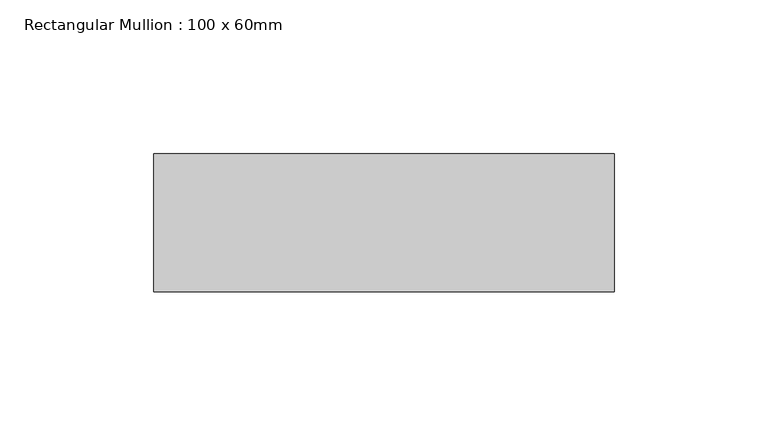
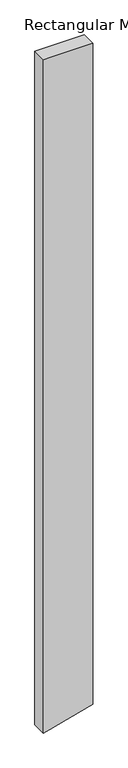
"""IFC4 building model written with IfcOpenShell, lengths in millimetres: member geometry, Rectangular Mullion : 100 x 60mm."""

import ifcopenshell
import ifcopenshell.guid

model = None  # the IFC model being written
_history = None  # IfcOwnerHistory: only IFC2X3 demands one
_inside = {}  # id of a spatial element -> (the spatial element, [elements in it])
_under = {}  # id of a project, library or spatial element -> (it, [spatial elements below it])
_declared = {}  # id of a project -> (the project, [libraries it declares])
_typed = {}  # id of a type object -> (the type object, [elements of that type])
_made_of = {}  # id of a material, layer set ... -> (it, [elements and type objects made of it])


def new_model(schema):
    """Start an empty IFC model of exactly this schema.

    Asked for "IFC4X3", IfcOpenShell would pick the latest addendum, in which some entities
    have other attributes; the version numbers below select the first issue.
    IFC2X3 requires an IfcOwnerHistory on every rooted entity: one is made here for all.
    """
    global model, _history
    if schema == "IFC4X3":
        model = ifcopenshell.file(schema_version=(4, 3, 0, 0))
    else:
        model = ifcopenshell.file(schema=schema)
    _inside.clear()
    _under.clear()
    _declared.clear()
    _typed.clear()
    _made_of.clear()
    _history = None
    if model.schema == "IFC2X3":
        org = make("IfcOrganization", Name="unknown")
        user = make(
            "IfcPersonAndOrganization",
            ThePerson=make("IfcPerson", FamilyName="unknown"),
            TheOrganization=org,
        )
        app = make(
            "IfcApplication",
            ApplicationDeveloper=org,
            Version="unknown",
            ApplicationFullName="unknown",
            ApplicationIdentifier="unknown",
        )
        _history = make(
            "IfcOwnerHistory",
            OwningUser=user,
            OwningApplication=app,
            ChangeAction="ADDED",
            CreationDate=0,
        )
    return model


def make(cls, **values):
    """One entity of the class cls with the attributes given. An attribute that is None is left unset."""
    return model.create_entity(
        cls, **{name: value for name, value in values.items() if value is not None}
    )


def rooted(cls, **values):
    """An entity with a GlobalId (a new one), such as an element, a storey or a relation."""
    return make(cls, GlobalId=ifcopenshell.guid.new(), OwnerHistory=_history, **values)


def si_unit(unit_type, name, prefix=None):
    """IfcSIUnit, for example si_unit("LENGTHUNIT", "METRE", prefix="MILLI")."""
    return make("IfcSIUnit", UnitType=unit_type, Prefix=prefix, Name=name)


def assignment(units):
    """IfcUnitAssignment: the units of a project."""
    return None if units is None else make("IfcUnitAssignment", Units=units)


def point(xyz):
    """IfcCartesianPoint."""
    return None if xyz is None else make("IfcCartesianPoint", Coordinates=xyz)


def direction(xyz):
    """IfcDirection."""
    return None if xyz is None else make("IfcDirection", DirectionRatios=xyz)


def frame(location, z_axis=None, x_axis=None):
    """IfcAxis2Placement3D, a coordinate frame: its origin and axes. An axis left out is left unset."""
    return make(
        "IfcAxis2Placement3D",
        Location=point(location),
        Axis=direction(z_axis),
        RefDirection=direction(x_axis),
    )


def origin():
    """The frame at (0, 0, 0) with its axes left unset."""
    return frame((0.0, 0.0, 0.0))


def place(relative_to, where):
    """IfcLocalPlacement: puts the frame where relative to a parent placement (None: the world)."""
    return make(
        "IfcLocalPlacement", PlacementRelTo=relative_to, RelativePlacement=where
    )


def context(
    kind, dimensions, precision=None, world=None, true_north=None, identifier=None
):
    """IfcGeometricRepresentationContext, for example the 3D "Model" context."""
    return make(
        "IfcGeometricRepresentationContext",
        ContextIdentifier=identifier,
        ContextType=kind,
        CoordinateSpaceDimension=dimensions,
        Precision=precision,
        WorldCoordinateSystem=world,
        TrueNorth=true_north,
    )


def project(units=None, contexts=None):
    """IfcProject with its units and contexts."""
    return rooted(
        "IfcProject",
        Name="project",
        RepresentationContexts=contexts,
        UnitsInContext=assignment(units),
    )


def spatial(cls, under=None, at=None, **own):
    """A site, building, storey or space (cls), placed at a placement, below another one or the project."""
    s = rooted(cls, ObjectPlacement=at, **own)
    if under is not None:
        _under.setdefault(under.id(), (under, []))[1].append(s)
    return s


def polyline(points):
    """IfcPolyline through the points."""
    return make("IfcPolyline", Points=[point(p) for p in points])


def outline(outer, holes=None, kind="AREA"):
    """IfcArbitraryClosedProfileDef: a profile drawn as a closed curve; with holes, ...WithVoids."""
    if holes is None:
        return make("IfcArbitraryClosedProfileDef", ProfileType=kind, OuterCurve=outer)
    return make(
        "IfcArbitraryProfileDefWithVoids",
        ProfileType=kind,
        OuterCurve=outer,
        InnerCurves=holes,
    )


def extrude(swept, where, along, depth):
    """IfcExtrudedAreaSolid: the profile swept, set in the frame where, extruded along a direction by depth."""
    return make(
        "IfcExtrudedAreaSolid",
        SweptArea=swept,
        Position=where,
        ExtrudedDirection=direction(along),
        Depth=depth,
    )


def shape(context_of_items, identifier, shape_type, items):
    """IfcShapeRepresentation: the items that make up one representation, for example the "Body"."""
    return make(
        "IfcShapeRepresentation",
        ContextOfItems=context_of_items,
        RepresentationIdentifier=identifier,
        RepresentationType=shape_type,
        Items=items,
    )


def source(mapping_origin, context_of_items, identifier, shape_type, items):
    """IfcRepresentationMap: a shape defined once, which mapped items show again and again."""
    return make(
        "IfcRepresentationMap",
        MappingOrigin=mapping_origin,
        MappedRepresentation=shape(context_of_items, identifier, shape_type, items),
    )


def transform(
    local_origin,
    x_axis=None,
    y_axis=None,
    z_axis=None,
    scale=None,
    scale2=None,
    scale3=None,
    uniform=True,
):
    """IfcCartesianTransformationOperator3D, or its non-uniform kind. x_axis, y_axis, z_axis: its Axis1, 2, 3."""
    if uniform:
        return make(
            "IfcCartesianTransformationOperator3D",
            Axis1=direction(x_axis),
            Axis2=direction(y_axis),
            LocalOrigin=point(local_origin),
            Scale=scale,
            Axis3=direction(z_axis),
        )
    return make(
        "IfcCartesianTransformationOperator3DnonUniform",
        Axis1=direction(x_axis),
        Axis2=direction(y_axis),
        LocalOrigin=point(local_origin),
        Scale=scale,
        Axis3=direction(z_axis),
        Scale2=scale2,
        Scale3=scale3,
    )


def mapped(mapping_source, mapping_target):
    """IfcMappedItem: shows the shape of a source again, moved by a transform."""
    return make(
        "IfcMappedItem", MappingSource=mapping_source, MappingTarget=mapping_target
    )


def made_of(thing, what):
    """Note that an element or type object is made of a material, layer set ...; save() writes the relation."""
    if what is not None:
        _made_of.setdefault(what.id(), (what, []))[1].append(thing)
    return thing


def element(
    cls,
    number,
    at=None,
    inside=None,
    cuts=None,
    type_object=None,
    material=None,
    context=None,
    identifier="Body",
    shape_type=None,
    held_by="IfcProductDefinitionShape",
    body=None,
    shapes=None,
    **own,
):
    """One element of the class cls, such as IfcWall. Its Tag is "e" and its number.

    at: its placement. inside: the storey or other place that contains it. cuts: it is an
    opening in that element (IfcRelVoidsElement). A single representation is given by context,
    identifier, shape_type and body (its items); several are given by shapes. held_by: the class
    of the entity that holds the representations. save() writes the other relations.
    """
    e = rooted(cls, Tag="e%d" % number, ObjectPlacement=at, **own)
    if body is not None:
        shapes = [shape(context, identifier, shape_type, body)]
    if shapes is not None:
        e.Representation = make(held_by, Representations=shapes)
    if inside is not None:
        _inside.setdefault(inside.id(), (inside, []))[1].append(e)
    if cuts is not None:
        rooted(
            "IfcRelVoidsElement", RelatingBuildingElement=cuts, RelatedOpeningElement=e
        )
    if type_object is not None:
        _typed.setdefault(type_object.id(), (type_object, []))[1].append(e)
    return made_of(e, material)


def aggregate(whole, parts):
    """IfcRelAggregates: a whole, such as a stair, and the parts it consists of."""
    return rooted("IfcRelAggregates", RelatingObject=whole, RelatedObjects=parts)


def save(model, path):
    """Write the relations noted so far, then the file.

    IfcRelAggregates (storeys below a building ...), IfcRelContainedInSpatialStructure (elements
    in a storey), IfcRelDefinesByType, IfcRelAssociatesMaterial and IfcRelDeclares: one each for
    every whole, place, type object, material and project.
    """
    for whole, parts in _under.values():
        aggregate(whole, parts)
    for where, things in _inside.values():
        rooted(
            "IfcRelContainedInSpatialStructure",
            RelatedElements=things,
            RelatingStructure=where,
        )
    for kind, things in _typed.values():
        rooted("IfcRelDefinesByType", RelatedObjects=things, RelatingType=kind)
    for what, things in _made_of.values():
        rooted("IfcRelAssociatesMaterial", RelatedObjects=things, RelatingMaterial=what)
    for by, libraries in _declared.values():
        rooted("IfcRelDeclares", RelatingContext=by, RelatedDefinitions=libraries)
    model.write(path)


def rectangular_mullion_100_x_60mm_3f9e1166(model_context):
    return source(origin(), model_context, "Body", "SweptSolid", [
        extrude(outline(polyline([(0.0, 75.0), (0.0, -75.0), (-2162.2118968, -75.0), (-2159.4532959, -64.7047613), (-2122.019518, 75.0), (0.0, 75.0)])), frame((0.0, -15.0, 0.0), z_axis=(0.0, 1.0, 0.0), x_axis=(0.0, 0.0, 1.0)), (0.0, 0.0, 1.0), 45.0),
    ])


if __name__ == "__main__":
    model = new_model("IFC4")
    model_context = context("Model", 3, world=origin())
    ifc_project = project(units=[si_unit("LENGTHUNIT", "METRE", prefix="MILLI")], contexts=[model_context])
    site = spatial("IfcSite", under=ifc_project)
    building = spatial("IfcBuilding", under=site)
    placement = place(None, origin())
    rectangular_mullion_100_x_60mm_shape = rectangular_mullion_100_x_60mm_3f9e1166(model_context)
    element("IfcMember", 1, ObjectType="Rectangular Mullion : 100 x 60mm", at=placement, inside=building, context=model_context, shape_type="MappedRepresentation", body=[
        mapped(rectangular_mullion_100_x_60mm_shape, transform((0.0, 0.0, 0.0), x_axis=(1.0, 0.0, 0.0), y_axis=(0.0, 1.0, 0.0), z_axis=(0.0, 0.0, 1.0))),
    ])
    save(model, "model.ifc")
